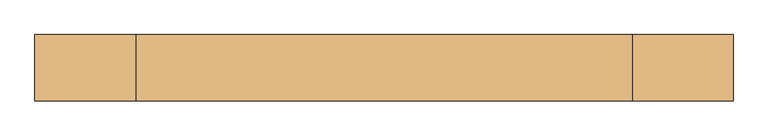
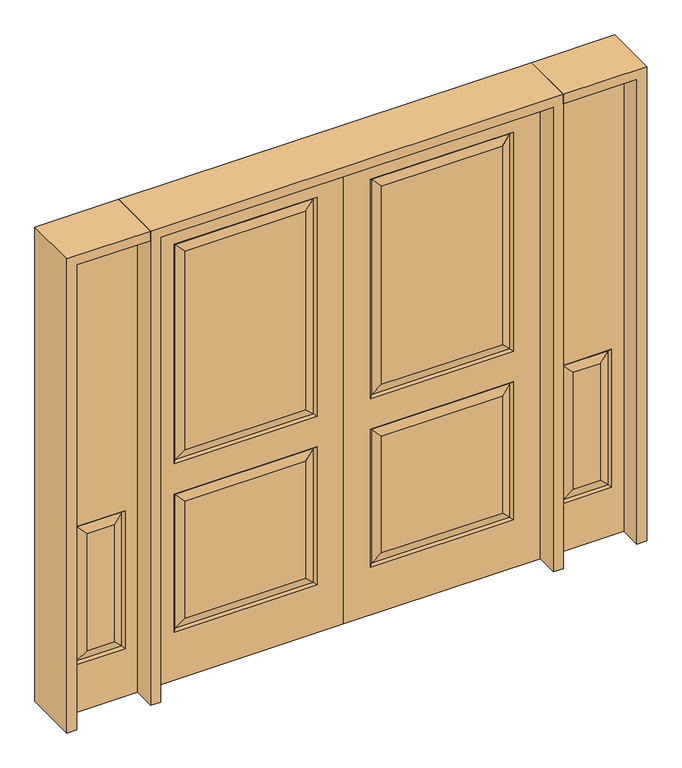
"""IFC4 building model written with IfcOpenShell, lengths in millimetres: door geometry."""

from ifc_helpers import new_model, si_unit, frame, origin, place, context, project, spatial, polyline, outline, extrude, faceted_brep, source, transform, mapped, element, save


def door_150d18b9(model_context):
    return source(origin(), model_context, "Body", "SolidModel", [
        faceted_brep([(692.6947439, 11.6572439, 218.5302561), (655.6375, 20.6375, 255.5875), (655.6375, 20.6375, 766.7625), (692.6947439, 11.6572439, 803.8197439), (0.0, -20.6375, 0.0), (0.0, 20.6375, 0.0), (812.8, 20.6375, 0.0), (812.8, -20.6375, 0.0), (0.0, -20.6375, 2032.0), (0.0, 20.6375, 2032.0), (655.6375, 20.6375, 992.1875), (157.1625, 20.6375, 992.1875), (157.1625, 20.6375, 1858.9625), (655.6375, 20.6375, 1858.9625), (157.1625, 20.6375, 255.5875), (157.1625, 20.6375, 766.7625), (812.8, 20.6375, 2032.0), (111.125, 20.6375, 946.15), (701.675, 20.6375, 946.15), (701.675, 20.6375, 1905.0), (111.125, 20.6375, 1905.0), (111.125, 20.6375, 209.55), (701.675, 20.6375, 209.55), (701.675, 20.6375, 812.8), (111.125, 20.6375, 812.8), (120.1052561, -11.6572439, 803.8197439), (692.6947439, -11.6572439, 803.8197439), (701.675, -20.6375, 812.8), (111.125, -20.6375, 812.8), (692.6947439, -11.6572439, 218.5302561), (701.675, -20.6375, 209.55), (120.1052561, -11.6572439, 218.5302561), (111.125, -20.6375, 209.55), (120.1052561, 11.6572439, 955.1302561), (692.6947439, 11.6572439, 955.1302561), (692.6947439, 11.6572439, 1896.0197439), (120.1052561, 11.6572439, 1896.0197439), (120.1052561, 11.6572439, 803.8197439), (812.8, -20.6375, 2032.0), (655.6375, -20.6375, 766.7625), (157.1625, -20.6375, 766.7625), (157.1625, -20.6375, 255.5875), (655.6375, -20.6375, 255.5875), (655.6375, -20.6375, 1858.9625), (157.1625, -20.6375, 1858.9625), (157.1625, -20.6375, 992.1875), (655.6375, -20.6375, 992.1875), (111.125, -20.6375, 1905.0), (701.675, -20.6375, 1905.0), (701.675, -20.6375, 946.15), (111.125, -20.6375, 946.15), (692.6947439, -11.6572439, 1896.0197439), (692.6947439, -11.6572439, 955.1302561), (120.1052561, -11.6572439, 955.1302561), (120.1052561, -11.6572439, 1896.0197439), (120.1052561, 11.6572439, 218.5302561)], [[[0, 1, 2, 3]], [[4, 5, 6, 7]], [[8, 9, 5, 4]], [[10, 11, 12, 13]], [[1, 14, 15, 2]], [[9, 16, 6, 5], [17, 18, 19, 20], [21, 22, 23, 24]], [[25, 26, 27, 28]], [[27, 26, 29, 30]], [[30, 29, 31, 32]], [[33, 34, 18, 17]], [[18, 34, 35, 19]], [[33, 17, 20, 36]], [[34, 33, 11, 10]], [[23, 3, 37, 24]], [[3, 2, 15, 37]], [[16, 38, 7, 6]], [[39, 40, 41, 42]], [[43, 44, 45, 46]], [[38, 8, 4, 7], [28, 27, 30, 32], [47, 48, 49, 50]], [[48, 51, 52, 49]], [[49, 52, 53, 50]], [[54, 47, 50, 53]], [[44, 54, 53, 45]], [[52, 46, 45, 53]], [[51, 43, 46, 52]], [[25, 28, 32, 31]], [[26, 25, 40, 39]], [[40, 25, 31, 41]], [[29, 42, 41, 31]], [[26, 39, 42, 29]], [[11, 33, 36, 12]], [[34, 10, 13, 35]], [[55, 0, 22, 21]], [[22, 0, 3, 23]], [[55, 21, 24, 37]], [[0, 55, 14, 1]], [[14, 55, 37, 15]], [[8, 38, 16, 9]], [[19, 35, 36, 20]], [[35, 13, 12, 36]], [[54, 51, 48, 47]], [[51, 54, 44, 43]]]),
        faceted_brep([(-692.6947439, 11.6572439, 218.5302561), (-692.6947439, 11.6572439, 803.8197439), (-655.6375, 20.6375, 766.7625), (-655.6375, 20.6375, 255.5875), (0.0, -20.6375, 0.0), (-812.8, -20.6375, 0.0), (-812.8, 20.6375, 0.0), (0.0, 20.6375, 0.0), (0.0, -20.6375, 2032.0), (0.0, 20.6375, 2032.0), (-812.8, 20.6375, 2032.0), (-111.125, 20.6375, 946.15), (-111.125, 20.6375, 1905.0), (-701.675, 20.6375, 1905.0), (-701.675, 20.6375, 946.15), (-111.125, 20.6375, 209.55), (-111.125, 20.6375, 812.8), (-701.675, 20.6375, 812.8), (-701.675, 20.6375, 209.55), (-655.6375, 20.6375, 992.1875), (-655.6375, 20.6375, 1858.9625), (-157.1625, 20.6375, 1858.9625), (-157.1625, 20.6375, 992.1875), (-157.1625, 20.6375, 766.7625), (-157.1625, 20.6375, 255.5875), (-120.1052561, -11.6572439, 803.8197439), (-111.125, -20.6375, 812.8), (-701.675, -20.6375, 812.8), (-692.6947439, -11.6572439, 803.8197439), (-701.675, -20.6375, 209.55), (-692.6947439, -11.6572439, 218.5302561), (-111.125, -20.6375, 209.55), (-120.1052561, -11.6572439, 218.5302561), (-120.1052561, 11.6572439, 955.1302561), (-692.6947439, 11.6572439, 955.1302561), (-692.6947439, 11.6572439, 1896.0197439), (-120.1052561, 11.6572439, 1896.0197439), (-120.1052561, 11.6572439, 803.8197439), (-812.8, -20.6375, 2032.0), (-655.6375, -20.6375, 766.7625), (-655.6375, -20.6375, 255.5875), (-157.1625, -20.6375, 255.5875), (-157.1625, -20.6375, 766.7625), (-655.6375, -20.6375, 1858.9625), (-655.6375, -20.6375, 992.1875), (-157.1625, -20.6375, 992.1875), (-157.1625, -20.6375, 1858.9625), (-111.125, -20.6375, 1905.0), (-111.125, -20.6375, 946.15), (-701.675, -20.6375, 946.15), (-701.675, -20.6375, 1905.0), (-692.6947439, -11.6572439, 955.1302561), (-692.6947439, -11.6572439, 1896.0197439), (-120.1052561, -11.6572439, 955.1302561), (-120.1052561, -11.6572439, 1896.0197439), (-120.1052561, 11.6572439, 218.5302561)], [[[0, 1, 2, 3]], [[4, 5, 6, 7]], [[8, 4, 7, 9]], [[9, 7, 6, 10], [11, 12, 13, 14], [15, 16, 17, 18]], [[19, 20, 21, 22]], [[3, 2, 23, 24]], [[25, 26, 27, 28]], [[27, 29, 30, 28]], [[29, 31, 32, 30]], [[33, 11, 14, 34]], [[14, 13, 35, 34]], [[33, 36, 12, 11]], [[34, 19, 22, 33]], [[17, 16, 37, 1]], [[1, 37, 23, 2]], [[10, 6, 5, 38]], [[39, 40, 41, 42]], [[43, 44, 45, 46]], [[38, 5, 4, 8], [26, 31, 29, 27], [47, 48, 49, 50]], [[50, 49, 51, 52]], [[49, 48, 53, 51]], [[54, 53, 48, 47]], [[46, 45, 53, 54]], [[51, 53, 45, 44]], [[52, 51, 44, 43]], [[25, 32, 31, 26]], [[28, 39, 42, 25]], [[42, 41, 32, 25]], [[30, 32, 41, 40]], [[28, 30, 40, 39]], [[22, 21, 36, 33]], [[34, 35, 20, 19]], [[55, 15, 18, 0]], [[18, 17, 1, 0]], [[55, 37, 16, 15]], [[0, 3, 24, 55]], [[24, 23, 37, 55]], [[8, 9, 10, 38]], [[13, 12, 36, 35]], [[35, 36, 21, 20]], [[54, 47, 50, 52]], [[52, 43, 46, 54]]]),
        faceted_brep([(1108.075, -20.6375, 209.55), (1099.0947439, -11.6572439, 218.5302561), (913.8552561, -11.6572439, 218.5302561), (904.875, -20.6375, 209.55), (1099.0947439, 11.6572439, 218.5302561), (1062.0375, 20.6375, 255.5875), (1062.0375, 20.6375, 766.7625), (1099.0947439, 11.6572439, 803.8197439), (1158.875, 20.6375, 2032.0), (854.075, 20.6375, 2032.0), (854.075, -20.6375, 2032.0), (1158.875, -20.6375, 2032.0), (950.9125, 20.6375, 255.5875), (913.8552561, 11.6572439, 218.5302561), (913.8552561, 11.6572439, 803.8197439), (950.9125, 20.6375, 766.7625), (1158.875, 20.6375, 0.0), (854.075, 20.6375, 0.0), (904.875, 20.6375, 209.55), (1108.075, 20.6375, 209.55), (1108.075, 20.6375, 812.8), (904.875, 20.6375, 812.8), (1158.875, -20.6375, 0.0), (854.075, -20.6375, 0.0), (904.875, -20.6375, 812.8), (1108.075, -20.6375, 812.8), (950.9125, -20.6375, 255.5875), (1062.0375, -20.6375, 255.5875), (1062.0375, -20.6375, 766.7625), (950.9125, -20.6375, 766.7625), (913.8552561, -11.6572439, 803.8197439), (1099.0947439, -11.6572439, 803.8197439)], [[[0, 1, 2, 3]], [[4, 5, 6, 7]], [[8, 9, 10, 11]], [[12, 13, 14, 15]], [[5, 12, 15, 6]], [[16, 17, 9, 8], [18, 19, 20, 21]], [[17, 16, 22, 23]], [[9, 17, 23, 10]], [[16, 8, 11, 22]], [[22, 11, 10, 23], [0, 3, 24, 25]], [[26, 27, 28, 29]], [[13, 4, 19, 18]], [[19, 4, 7, 20]], [[20, 7, 14, 21]], [[13, 18, 21, 14]], [[4, 13, 12, 5]], [[7, 6, 15, 14]], [[3, 2, 30, 24]], [[31, 25, 24, 30]], [[1, 0, 25, 31]], [[2, 1, 27, 26]], [[27, 1, 31, 28]], [[28, 31, 30, 29]], [[2, 26, 29, 30]]]),
        faceted_brep([(-1108.075, -20.6375, 209.55), (-904.875, -20.6375, 209.55), (-913.8552561, -11.6572439, 218.5302561), (-1099.0947439, -11.6572439, 218.5302561), (-1099.0947439, 11.6572439, 218.5302561), (-1099.0947439, 11.6572439, 803.8197439), (-1062.0375, 20.6375, 766.7625), (-1062.0375, 20.6375, 255.5875), (-1158.875, 20.6375, 2032.0), (-1158.875, -20.6375, 2032.0), (-854.075, -20.6375, 2032.0), (-854.075, 20.6375, 2032.0), (-950.9125, 20.6375, 255.5875), (-950.9125, 20.6375, 766.7625), (-913.8552561, 11.6572439, 803.8197439), (-913.8552561, 11.6572439, 218.5302561), (-1158.875, 20.6375, 0.0), (-854.075, 20.6375, 0.0), (-904.875, 20.6375, 209.55), (-904.875, 20.6375, 812.8), (-1108.075, 20.6375, 812.8), (-1108.075, 20.6375, 209.55), (-854.075, -20.6375, 0.0), (-1158.875, -20.6375, 0.0), (-1108.075, -20.6375, 812.8), (-904.875, -20.6375, 812.8), (-950.9125, -20.6375, 255.5875), (-950.9125, -20.6375, 766.7625), (-1062.0375, -20.6375, 766.7625), (-1062.0375, -20.6375, 255.5875), (-913.8552561, -11.6572439, 803.8197439), (-1099.0947439, -11.6572439, 803.8197439)], [[[0, 1, 2, 3]], [[4, 5, 6, 7]], [[8, 9, 10, 11]], [[12, 13, 14, 15]], [[16, 8, 11, 17], [18, 19, 20, 21]], [[7, 6, 13, 12]], [[17, 22, 23, 16]], [[11, 10, 22, 17]], [[16, 23, 9, 8]], [[23, 22, 10, 9], [0, 24, 25, 1]], [[26, 27, 28, 29]], [[15, 18, 21, 4]], [[21, 20, 5, 4]], [[20, 19, 14, 5]], [[15, 14, 19, 18]], [[4, 7, 12, 15]], [[5, 14, 13, 6]], [[1, 25, 30, 2]], [[31, 30, 25, 24]], [[3, 31, 24, 0]], [[2, 26, 29, 3]], [[29, 28, 31, 3]], [[28, 27, 30, 31]], [[2, 30, 27, 26]]]),
        extrude(outline(polyline([(2073.275, -854.075), (2073.275, -1200.15), (0.0, -1200.15), (0.0, -1158.875), (2032.0, -1158.875), (2032.0, -854.075), (2073.275, -854.075)])), frame((0.0, -114.3, 0.0), z_axis=(0.0, 1.0, 0.0), x_axis=(0.0, 0.0, 1.0)), (0.0, 0.0, 1.0), 228.6),
        extrude(outline(polyline([(2073.275, -854.075), (0.0, -854.075), (0.0, -812.8), (2032.0, -812.8), (2032.0, 812.8), (0.0, 812.8), (0.0, 854.075), (2073.275, 854.075), (2073.275, -854.075)])), frame((0.0, -114.3, 0.0), z_axis=(0.0, 1.0, 0.0), x_axis=(0.0, 0.0, 1.0)), (0.0, 0.0, 1.0), 228.6),
        extrude(outline(polyline([(0.0, 1200.15), (2073.275, 1200.15), (2073.275, 854.075), (2032.0, 854.075), (2032.0, 1158.875), (0.0, 1158.875), (0.0, 1200.15)])), frame((0.0, -114.3, 0.0), z_axis=(0.0, 1.0, 0.0), x_axis=(0.0, 0.0, 1.0)), (0.0, 0.0, 1.0), 228.6),
    ])


if __name__ == "__main__":
    model = new_model("IFC4")
    model_context = context("Model", 3, world=origin())
    ifc_project = project(units=[si_unit("LENGTHUNIT", "METRE", prefix="MILLI")], contexts=[model_context])
    site = spatial("IfcSite", under=ifc_project)
    building = spatial("IfcBuilding", under=site)
    placement = place(None, origin())
    door_shape = door_150d18b9(model_context)
    element("IfcDoor", 1, at=placement, inside=building, context=model_context, shape_type="MappedRepresentation", body=[
        mapped(door_shape, transform((0.0, 0.0, 0.0), x_axis=(1.0, 0.0, 0.0), y_axis=(0.0, 1.0, 0.0), z_axis=(0.0, 0.0, 1.0))),
    ])
    save(model, "model.ifc")
